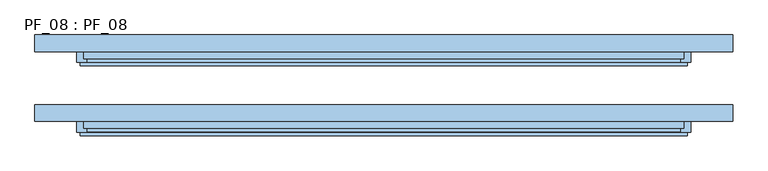
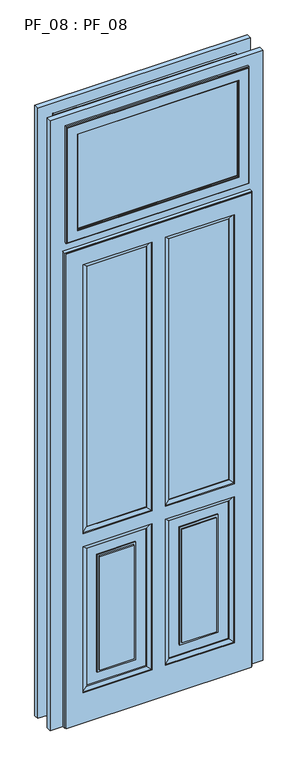
"""IFC4 building model written with IfcOpenShell, lengths in millimetres: window geometry, PF_08 : PF_08."""

import ifcopenshell
import ifcopenshell.guid

model = None  # the IFC model being written
_history = None  # IfcOwnerHistory: only IFC2X3 demands one
_inside = {}  # id of a spatial element -> (the spatial element, [elements in it])
_under = {}  # id of a project, library or spatial element -> (it, [spatial elements below it])
_declared = {}  # id of a project -> (the project, [libraries it declares])
_typed = {}  # id of a type object -> (the type object, [elements of that type])
_made_of = {}  # id of a material, layer set ... -> (it, [elements and type objects made of it])


def new_model(schema):
    """Start an empty IFC model of exactly this schema.

    Asked for "IFC4X3", IfcOpenShell would pick the latest addendum, in which some entities
    have other attributes; the version numbers below select the first issue.
    IFC2X3 requires an IfcOwnerHistory on every rooted entity: one is made here for all.
    """
    global model, _history
    if schema == "IFC4X3":
        model = ifcopenshell.file(schema_version=(4, 3, 0, 0))
    else:
        model = ifcopenshell.file(schema=schema)
    _inside.clear()
    _under.clear()
    _declared.clear()
    _typed.clear()
    _made_of.clear()
    _history = None
    if model.schema == "IFC2X3":
        org = make("IfcOrganization", Name="unknown")
        user = make(
            "IfcPersonAndOrganization",
            ThePerson=make("IfcPerson", FamilyName="unknown"),
            TheOrganization=org,
        )
        app = make(
            "IfcApplication",
            ApplicationDeveloper=org,
            Version="unknown",
            ApplicationFullName="unknown",
            ApplicationIdentifier="unknown",
        )
        _history = make(
            "IfcOwnerHistory",
            OwningUser=user,
            OwningApplication=app,
            ChangeAction="ADDED",
            CreationDate=0,
        )
    return model


def make(cls, **values):
    """One entity of the class cls with the attributes given. An attribute that is None is left unset."""
    return model.create_entity(
        cls, **{name: value for name, value in values.items() if value is not None}
    )


def rooted(cls, **values):
    """An entity with a GlobalId (a new one), such as an element, a storey or a relation."""
    return make(cls, GlobalId=ifcopenshell.guid.new(), OwnerHistory=_history, **values)


def si_unit(unit_type, name, prefix=None):
    """IfcSIUnit, for example si_unit("LENGTHUNIT", "METRE", prefix="MILLI")."""
    return make("IfcSIUnit", UnitType=unit_type, Prefix=prefix, Name=name)


def assignment(units):
    """IfcUnitAssignment: the units of a project."""
    return None if units is None else make("IfcUnitAssignment", Units=units)


def point(xyz):
    """IfcCartesianPoint."""
    return None if xyz is None else make("IfcCartesianPoint", Coordinates=xyz)


def direction(xyz):
    """IfcDirection."""
    return None if xyz is None else make("IfcDirection", DirectionRatios=xyz)


def frame(location, z_axis=None, x_axis=None):
    """IfcAxis2Placement3D, a coordinate frame: its origin and axes. An axis left out is left unset."""
    return make(
        "IfcAxis2Placement3D",
        Location=point(location),
        Axis=direction(z_axis),
        RefDirection=direction(x_axis),
    )


def origin():
    """The frame at (0, 0, 0) with its axes left unset."""
    return frame((0.0, 0.0, 0.0))


def place(relative_to, where):
    """IfcLocalPlacement: puts the frame where relative to a parent placement (None: the world)."""
    return make(
        "IfcLocalPlacement", PlacementRelTo=relative_to, RelativePlacement=where
    )


def context(
    kind, dimensions, precision=None, world=None, true_north=None, identifier=None
):
    """IfcGeometricRepresentationContext, for example the 3D "Model" context."""
    return make(
        "IfcGeometricRepresentationContext",
        ContextIdentifier=identifier,
        ContextType=kind,
        CoordinateSpaceDimension=dimensions,
        Precision=precision,
        WorldCoordinateSystem=world,
        TrueNorth=true_north,
    )


def project(units=None, contexts=None):
    """IfcProject with its units and contexts."""
    return rooted(
        "IfcProject",
        Name="project",
        RepresentationContexts=contexts,
        UnitsInContext=assignment(units),
    )


def spatial(cls, under=None, at=None, **own):
    """A site, building, storey or space (cls), placed at a placement, below another one or the project."""
    s = rooted(cls, ObjectPlacement=at, **own)
    if under is not None:
        _under.setdefault(under.id(), (under, []))[1].append(s)
    return s


def polyline(points):
    """IfcPolyline through the points."""
    return make("IfcPolyline", Points=[point(p) for p in points])


def outline(outer, holes=None, kind="AREA"):
    """IfcArbitraryClosedProfileDef: a profile drawn as a closed curve; with holes, ...WithVoids."""
    if holes is None:
        return make("IfcArbitraryClosedProfileDef", ProfileType=kind, OuterCurve=outer)
    return make(
        "IfcArbitraryProfileDefWithVoids",
        ProfileType=kind,
        OuterCurve=outer,
        InnerCurves=holes,
    )


def extrude(swept, where, along, depth):
    """IfcExtrudedAreaSolid: the profile swept, set in the frame where, extruded along a direction by depth."""
    return make(
        "IfcExtrudedAreaSolid",
        SweptArea=swept,
        Position=where,
        ExtrudedDirection=direction(along),
        Depth=depth,
    )


def faces_of(points, faces, orient=None, outer=None):
    """IfcFace entities. A face is a list of loops; a loop is a list of indices into points, from 0.

    orient and outer hold one flag for each loop. By default every Orientation is true, the
    first loop of a face is its IfcFaceOuterBound and the others are IfcFaceBound.
    """
    made = []
    for i, loops in enumerate(faces):
        bounds = []
        for j, loop in enumerate(loops):
            is_outer = j == 0 if outer is None else outer[i][j]
            bounds.append(
                make(
                    "IfcFaceOuterBound" if is_outer else "IfcFaceBound",
                    Bound=make("IfcPolyLoop", Polygon=[points[k] for k in loop]),
                    Orientation=True if orient is None else orient[i][j],
                )
            )
        made.append(make("IfcFace", Bounds=bounds))
    return made


def faceted_brep(points, faces, orient=None, outer=None, voids=None):
    """IfcFacetedBrep: a solid bounded by flat faces; with voids (closed shells), ...WithVoids."""
    shared = [point(p) for p in points]
    hull = make("IfcClosedShell", CfsFaces=faces_of(shared, faces, orient, outer))
    if voids is None:
        return make("IfcFacetedBrep", Outer=hull)
    return make(
        "IfcFacetedBrepWithVoids",
        Outer=hull,
        Voids=[
            make(cls, CfsFaces=faces_of(shared, fs, o, b)) for cls, fs, o, b in voids
        ],
    )


def shape(context_of_items, identifier, shape_type, items):
    """IfcShapeRepresentation: the items that make up one representation, for example the "Body"."""
    return make(
        "IfcShapeRepresentation",
        ContextOfItems=context_of_items,
        RepresentationIdentifier=identifier,
        RepresentationType=shape_type,
        Items=items,
    )


def source(mapping_origin, context_of_items, identifier, shape_type, items):
    """IfcRepresentationMap: a shape defined once, which mapped items show again and again."""
    return make(
        "IfcRepresentationMap",
        MappingOrigin=mapping_origin,
        MappedRepresentation=shape(context_of_items, identifier, shape_type, items),
    )


def transform(
    local_origin,
    x_axis=None,
    y_axis=None,
    z_axis=None,
    scale=None,
    scale2=None,
    scale3=None,
    uniform=True,
):
    """IfcCartesianTransformationOperator3D, or its non-uniform kind. x_axis, y_axis, z_axis: its Axis1, 2, 3."""
    if uniform:
        return make(
            "IfcCartesianTransformationOperator3D",
            Axis1=direction(x_axis),
            Axis2=direction(y_axis),
            LocalOrigin=point(local_origin),
            Scale=scale,
            Axis3=direction(z_axis),
        )
    return make(
        "IfcCartesianTransformationOperator3DnonUniform",
        Axis1=direction(x_axis),
        Axis2=direction(y_axis),
        LocalOrigin=point(local_origin),
        Scale=scale,
        Axis3=direction(z_axis),
        Scale2=scale2,
        Scale3=scale3,
    )


def mapped(mapping_source, mapping_target):
    """IfcMappedItem: shows the shape of a source again, moved by a transform."""
    return make(
        "IfcMappedItem", MappingSource=mapping_source, MappingTarget=mapping_target
    )


def made_of(thing, what):
    """Note that an element or type object is made of a material, layer set ...; save() writes the relation."""
    if what is not None:
        _made_of.setdefault(what.id(), (what, []))[1].append(thing)
    return thing


def element(
    cls,
    number,
    at=None,
    inside=None,
    cuts=None,
    type_object=None,
    material=None,
    context=None,
    identifier="Body",
    shape_type=None,
    held_by="IfcProductDefinitionShape",
    body=None,
    shapes=None,
    **own,
):
    """One element of the class cls, such as IfcWall. Its Tag is "e" and its number.

    at: its placement. inside: the storey or other place that contains it. cuts: it is an
    opening in that element (IfcRelVoidsElement). A single representation is given by context,
    identifier, shape_type and body (its items); several are given by shapes. held_by: the class
    of the entity that holds the representations. save() writes the other relations.
    """
    e = rooted(cls, Tag="e%d" % number, ObjectPlacement=at, **own)
    if body is not None:
        shapes = [shape(context, identifier, shape_type, body)]
    if shapes is not None:
        e.Representation = make(held_by, Representations=shapes)
    if inside is not None:
        _inside.setdefault(inside.id(), (inside, []))[1].append(e)
    if cuts is not None:
        rooted(
            "IfcRelVoidsElement", RelatingBuildingElement=cuts, RelatedOpeningElement=e
        )
    if type_object is not None:
        _typed.setdefault(type_object.id(), (type_object, []))[1].append(e)
    return made_of(e, material)


def aggregate(whole, parts):
    """IfcRelAggregates: a whole, such as a stair, and the parts it consists of."""
    return rooted("IfcRelAggregates", RelatingObject=whole, RelatedObjects=parts)


def save(model, path):
    """Write the relations noted so far, then the file.

    IfcRelAggregates (storeys below a building ...), IfcRelContainedInSpatialStructure (elements
    in a storey), IfcRelDefinesByType, IfcRelAssociatesMaterial and IfcRelDeclares: one each for
    every whole, place, type object, material and project.
    """
    for whole, parts in _under.values():
        aggregate(whole, parts)
    for where, things in _inside.values():
        rooted(
            "IfcRelContainedInSpatialStructure",
            RelatedElements=things,
            RelatingStructure=where,
        )
    for kind, things in _typed.values():
        rooted("IfcRelDefinesByType", RelatedObjects=things, RelatingType=kind)
    for what, things in _made_of.values():
        rooted("IfcRelAssociatesMaterial", RelatedObjects=things, RelatingMaterial=what)
    for by, libraries in _declared.values():
        rooted("IfcRelDeclares", RelatingContext=by, RelatedDefinitions=libraries)
    model.write(path)


def pf_08_pf_08_1fae24f3(model_context):
    return source(origin(), model_context, "Body", "SolidModel", [
        extrude(outline(polyline([(375.0, -57.0), (-375.0, -57.0), (-375.0, -53.0), (375.0, -53.0), (375.0, -57.0)])), frame((0.0, 0.0, 2455.0), z_axis=(0.0, 0.0, 1.0), x_axis=(1.0, 0.0, 0.0)), (0.0, 0.0, 1.0), 470.0),
        faceted_brep([(380.0, -50.0, 2930.0), (380.0, -45.0, 2930.0), (380.0, -45.0, 2450.0), (380.0, -50.0, 2450.0), (375.0, -60.0, 2925.0), (375.0, -50.0, 2925.0), (375.0, -50.0, 2455.0), (375.0, -60.0, 2455.0), (380.0, -65.0, 2930.0), (380.0, -60.0, 2930.0), (380.0, -60.0, 2450.0), (380.0, -65.0, 2450.0), (430.0, -50.0, 2980.0), (430.0, -60.0, 2980.0), (430.0, -60.0, 2400.0), (430.0, -50.0, 2400.0), (410.0, -45.0, 2960.0), (410.0, -50.0, 2960.0), (410.0, -50.0, 2420.0), (410.0, -45.0, 2420.0), (-380.0, -45.0, 2450.0), (-380.0, -50.0, 2450.0), (-375.0, -50.0, 2455.0), (-375.0, -60.0, 2455.0), (-380.0, -60.0, 2450.0), (-380.0, -65.0, 2450.0), (-430.0, -60.0, 2400.0), (-430.0, -50.0, 2400.0), (-410.0, -50.0, 2420.0), (-410.0, -45.0, 2420.0), (-380.0, -45.0, 2930.0), (-380.0, -50.0, 2930.0), (-375.0, -50.0, 2925.0), (-375.0, -60.0, 2925.0), (-380.0, -60.0, 2930.0), (-380.0, -65.0, 2930.0), (-430.0, -60.0, 2980.0), (-430.0, -50.0, 2980.0), (-410.0, -50.0, 2960.0), (-410.0, -45.0, 2960.0), (425.0, -65.0, 2975.0), (-425.0, -65.0, 2975.0), (-425.0, -65.0, 2405.0), (425.0, -65.0, 2405.0), (425.0, -60.0, 2975.0), (425.0, -60.0, 2405.0), (-425.0, -60.0, 2405.0), (-425.0, -60.0, 2975.0)], [[[0, 1, 2, 3]], [[4, 5, 6, 7]], [[8, 9, 10, 11]], [[12, 13, 14, 15]], [[16, 17, 18, 19]], [[3, 2, 20, 21]], [[7, 6, 22, 23]], [[11, 10, 24, 25]], [[15, 14, 26, 27]], [[19, 18, 28, 29]], [[21, 20, 30, 31]], [[23, 22, 32, 33]], [[25, 24, 34, 35]], [[27, 26, 36, 37]], [[29, 28, 38, 39]], [[19, 29, 39, 16], [1, 30, 20, 2]], [[31, 30, 1, 0]], [[3, 21, 31, 0], [5, 32, 22, 6]], [[33, 32, 5, 4]], [[9, 34, 24, 10], [7, 23, 33, 4]], [[35, 34, 9, 8]], [[40, 41, 42, 43], [11, 25, 35, 8]], [[37, 36, 13, 12]], [[15, 27, 37, 12], [17, 38, 28, 18]], [[39, 38, 17, 16]], [[44, 40, 43, 45]], [[45, 43, 42, 46]], [[46, 42, 41, 47]], [[47, 41, 40, 44]], [[13, 36, 26, 14], [45, 46, 47, 44]]]),
        extrude(outline(polyline([(375.0, 43.0), (-375.0, 43.0), (-375.0, 47.0), (375.0, 47.0), (375.0, 43.0)])), frame((0.0, 0.0, 2455.0), z_axis=(0.0, 0.0, 1.0), x_axis=(1.0, 0.0, 0.0)), (0.0, 0.0, 1.0), 470.0),
        faceted_brep([(380.0, 50.0, 2930.0), (380.0, 55.0, 2930.0), (380.0, 55.0, 2450.0), (380.0, 50.0, 2450.0), (375.0, 40.0, 2925.0), (375.0, 50.0, 2925.0), (375.0, 50.0, 2455.0), (375.0, 40.0, 2455.0), (380.0, 35.0, 2930.0), (380.0, 40.0, 2930.0), (380.0, 40.0, 2450.0), (380.0, 35.0, 2450.0), (430.0, 50.0, 2980.0), (430.0, 40.0, 2980.0), (430.0, 40.0, 2400.0), (430.0, 50.0, 2400.0), (410.0, 55.0, 2960.0), (410.0, 50.0, 2960.0), (410.0, 50.0, 2420.0), (410.0, 55.0, 2420.0), (-380.0, 55.0, 2450.0), (-380.0, 50.0, 2450.0), (-375.0, 50.0, 2455.0), (-375.0, 40.0, 2455.0), (-380.0, 40.0, 2450.0), (-380.0, 35.0, 2450.0), (-430.0, 40.0, 2400.0), (-430.0, 50.0, 2400.0), (-410.0, 50.0, 2420.0), (-410.0, 55.0, 2420.0), (-380.0, 55.0, 2930.0), (-380.0, 50.0, 2930.0), (-375.0, 50.0, 2925.0), (-375.0, 40.0, 2925.0), (-380.0, 40.0, 2930.0), (-380.0, 35.0, 2930.0), (-430.0, 40.0, 2980.0), (-430.0, 50.0, 2980.0), (-410.0, 50.0, 2960.0), (-410.0, 55.0, 2960.0), (425.0, 35.0, 2975.0), (-425.0, 35.0, 2975.0), (-425.0, 35.0, 2405.0), (425.0, 35.0, 2405.0), (425.0, 40.0, 2975.0), (425.0, 40.0, 2405.0), (-425.0, 40.0, 2405.0), (-425.0, 40.0, 2975.0)], [[[0, 1, 2, 3]], [[4, 5, 6, 7]], [[8, 9, 10, 11]], [[12, 13, 14, 15]], [[16, 17, 18, 19]], [[3, 2, 20, 21]], [[7, 6, 22, 23]], [[11, 10, 24, 25]], [[15, 14, 26, 27]], [[19, 18, 28, 29]], [[21, 20, 30, 31]], [[23, 22, 32, 33]], [[25, 24, 34, 35]], [[27, 26, 36, 37]], [[29, 28, 38, 39]], [[19, 29, 39, 16], [1, 30, 20, 2]], [[31, 30, 1, 0]], [[3, 21, 31, 0], [5, 32, 22, 6]], [[33, 32, 5, 4]], [[9, 34, 24, 10], [7, 23, 33, 4]], [[35, 34, 9, 8]], [[40, 41, 42, 43], [11, 25, 35, 8]], [[37, 36, 13, 12]], [[15, 27, 37, 12], [17, 38, 28, 18]], [[39, 38, 17, 16]], [[44, 40, 43, 45]], [[45, 43, 42, 46]], [[46, 42, 41, 47]], [[47, 41, 40, 44]], [[13, 36, 26, 14], [45, 46, 47, 44]]]),
        extrude(outline(polyline([(335.0, -57.0), (52.5, -57.0), (52.5, -53.0), (335.0, -53.0), (335.0, -57.0)])), frame((0.0, 0.0, 960.0), z_axis=(0.0, 0.0, 1.0), x_axis=(1.0, 0.0, 0.0)), (0.0, 0.0, 1.0), 1295.0),
        extrude(outline(polyline([(-52.5, -57.0), (-335.0, -57.0), (-335.0, -53.0), (-52.5, -53.0), (-52.5, -57.0)])), frame((0.0, 0.0, 960.0), z_axis=(0.0, 0.0, 1.0), x_axis=(1.0, 0.0, 0.0)), (0.0, 0.0, 1.0), 1295.0),
        extrude(outline(polyline([(335.0, 43.0), (52.5, 43.0), (52.5, 47.0), (335.0, 47.0), (335.0, 43.0)])), frame((0.0, 0.0, 960.0), z_axis=(0.0, 0.0, 1.0), x_axis=(1.0, 0.0, 0.0)), (0.0, 0.0, 1.0), 1295.0),
        extrude(outline(polyline([(-52.5, 43.0), (-335.0, 43.0), (-335.0, 47.0), (-52.5, 47.0), (-52.5, 43.0)])), frame((0.0, 0.0, 960.0), z_axis=(0.0, 0.0, 1.0), x_axis=(1.0, 0.0, 0.0)), (0.0, 0.0, 1.0), 1295.0),
        faceted_brep([(430.0, -30.0, 0.0), (430.0, -50.0, 0.0), (440.0, -50.0, 0.0), (440.0, -65.0, 0.0), (435.0, -65.0, 0.0), (435.0, -70.0, 0.0), (-435.0, -70.0, 0.0), (-435.0, -65.0, 0.0), (-440.0, -65.0, 0.0), (-440.0, -50.0, 0.0), (-430.0, -50.0, 0.0), (-430.0, -30.0, 0.0), (430.0, -30.0, 2350.0), (430.0, -50.0, 2350.0), (-430.0, -50.0, 2350.0), (-440.0, -50.0, 2360.0), (440.0, -50.0, 2360.0), (440.0, -65.0, 2360.0), (-440.0, -65.0, 2360.0), (-435.0, -65.0, 2355.0), (435.0, -65.0, 2355.0), (435.0, -70.0, 2355.0), (-435.0, -70.0, 2355.0), (-355.0, -70.0, 875.0), (-32.5, -70.0, 875.0), (-32.5, -70.0, 150.0), (-355.0, -70.0, 150.0), (32.5, -70.0, 875.0), (355.0, -70.0, 875.0), (355.0, -70.0, 150.0), (32.5, -70.0, 150.0), (32.5, -70.0, 2275.0), (355.0, -70.0, 2275.0), (355.0, -70.0, 940.0), (32.5, -70.0, 940.0), (-355.0, -70.0, 2275.0), (-32.5, -70.0, 2275.0), (-32.5, -70.0, 940.0), (-355.0, -70.0, 940.0), (-430.0, -30.0, 2350.0), (355.0, -30.0, 875.0), (32.5, -30.0, 875.0), (32.5, -30.0, 150.0), (355.0, -30.0, 150.0), (-32.5, -30.0, 875.0), (-355.0, -30.0, 875.0), (-355.0, -30.0, 150.0), (-32.5, -30.0, 150.0), (355.0, -30.0, 2275.0), (32.5, -30.0, 2275.0), (32.5, -30.0, 940.0), (355.0, -30.0, 940.0), (-32.5, -30.0, 2275.0), (-355.0, -30.0, 2275.0), (-355.0, -30.0, 940.0), (-32.5, -30.0, 940.0), (52.5, -60.0, 855.0), (52.5, -60.0, 170.0), (52.5, -55.0, 170.0), (52.5, -55.0, 855.0), (52.5, -40.0, 170.0), (52.5, -40.0, 855.0), (52.5, -45.0, 855.0), (52.5, -45.0, 170.0), (52.5, -40.0, 2255.0), (52.5, -60.0, 2255.0), (52.5, -60.0, 960.0), (52.5, -40.0, 960.0), (32.5, -65.0, 875.0), (32.5, -65.0, 150.0), (32.5, -65.0, 2275.0), (32.5, -65.0, 940.0), (335.0, -60.0, 960.0), (335.0, -40.0, 960.0), (-335.0, -60.0, 960.0), (-52.5, -60.0, 960.0), (-52.5, -40.0, 960.0), (-335.0, -40.0, 960.0), (32.5, -35.0, 875.0), (32.5, -35.0, 150.0), (32.5, -35.0, 2275.0), (32.5, -35.0, 940.0), (335.0, -60.0, 170.0), (335.0, -55.0, 170.0), (335.0, -40.0, 170.0), (335.0, -45.0, 170.0), (-335.0, -60.0, 170.0), (-52.5, -60.0, 170.0), (-52.5, -55.0, 170.0), (-335.0, -55.0, 170.0), (-52.5, -40.0, 170.0), (-335.0, -40.0, 170.0), (-335.0, -45.0, 170.0), (-52.5, -45.0, 170.0), (335.0, -55.0, 855.0), (102.5, -55.0, 805.0), (285.0, -55.0, 805.0), (285.0, -55.0, 220.0), (102.5, -55.0, 220.0), (-52.5, -55.0, 855.0), (-335.0, -55.0, 855.0), (-285.0, -55.0, 805.0), (-102.5, -55.0, 805.0), (-102.5, -55.0, 220.0), (-285.0, -55.0, 220.0), (335.0, -60.0, 855.0), (335.0, -40.0, 855.0), (335.0, -45.0, 855.0), (-52.5, -60.0, 855.0), (-335.0, -60.0, 855.0), (-335.0, -40.0, 855.0), (-52.5, -40.0, 855.0), (-52.5, -45.0, 855.0), (-335.0, -45.0, 855.0), (285.0, -45.0, 805.0), (102.5, -45.0, 805.0), (102.5, -45.0, 220.0), (285.0, -45.0, 220.0), (-102.5, -45.0, 805.0), (-285.0, -45.0, 805.0), (-285.0, -45.0, 220.0), (-102.5, -45.0, 220.0), (-52.5, -60.0, 2255.0), (-52.5, -40.0, 2255.0), (-32.5, -35.0, 875.0), (-32.5, -35.0, 150.0), (-32.5, -35.0, 2275.0), (-32.5, -35.0, 940.0), (-32.5, -65.0, 875.0), (-32.5, -65.0, 150.0), (-32.5, -65.0, 2275.0), (-32.5, -65.0, 940.0), (355.0, -65.0, 875.0), (355.0, -65.0, 150.0), (355.0, -65.0, 2275.0), (355.0, -65.0, 940.0), (-355.0, -65.0, 940.0), (-355.0, -65.0, 875.0), (-355.0, -65.0, 150.0), (-355.0, -65.0, 2275.0), (355.0, -35.0, 940.0), (-355.0, -35.0, 940.0), (355.0, -35.0, 875.0), (-355.0, -35.0, 875.0), (355.0, -35.0, 150.0), (-355.0, -35.0, 150.0), (355.0, -35.0, 2275.0), (-355.0, -35.0, 2275.0), (335.0, -60.0, 2255.0), (335.0, -40.0, 2255.0), (-335.0, -60.0, 2255.0), (-335.0, -40.0, 2255.0), (-285.0, -60.0, 805.0), (-102.5, -60.0, 805.0), (-102.5, -40.0, 805.0), (-285.0, -40.0, 805.0), (-102.5, -60.0, 220.0), (-102.5, -40.0, 220.0), (-285.0, -60.0, 220.0), (-285.0, -40.0, 220.0), (102.5, -60.0, 805.0), (285.0, -60.0, 805.0), (285.0, -40.0, 805.0), (102.5, -40.0, 805.0), (285.0, -60.0, 220.0), (285.0, -40.0, 220.0), (102.5, -60.0, 220.0), (102.5, -40.0, 220.0), (-275.0, -60.0, 230.0), (-275.0, -60.0, 795.0), (-112.5, -60.0, 795.0), (-112.5, -60.0, 230.0), (112.5, -60.0, 230.0), (112.5, -60.0, 795.0), (275.0, -60.0, 795.0), (275.0, -60.0, 230.0), (112.5, -65.0, 230.0), (112.5, -65.0, 795.0), (112.5, -35.0, 795.0), (112.5, -35.0, 230.0), (112.5, -40.0, 230.0), (112.5, -40.0, 795.0), (275.0, -65.0, 795.0), (275.0, -35.0, 795.0), (275.0, -40.0, 795.0), (275.0, -65.0, 230.0), (275.0, -35.0, 230.0), (275.0, -40.0, 230.0), (-275.0, -65.0, 230.0), (-275.0, -65.0, 795.0), (-275.0, -35.0, 795.0), (-275.0, -35.0, 230.0), (-275.0, -40.0, 230.0), (-275.0, -40.0, 795.0), (-112.5, -65.0, 795.0), (-112.5, -35.0, 795.0), (-112.5, -40.0, 795.0), (-112.5, -65.0, 230.0), (-112.5, -35.0, 230.0), (-112.5, -40.0, 230.0)], [[[0, 1, 2, 3, 4, 5, 6, 7, 8, 9, 10, 11]], [[1, 0, 12, 13]], [[2, 1, 13, 14, 10, 9, 15, 16]], [[3, 2, 16, 17]], [[4, 3, 17, 18, 8, 7, 19, 20]], [[5, 4, 20, 21]], [[22, 6, 5, 21], [23, 24, 25, 26], [27, 28, 29, 30], [31, 32, 33, 34], [35, 36, 37, 38]], [[22, 19, 7, 6]], [[18, 15, 9, 8]], [[10, 14, 39, 11]], [[11, 39, 12, 0], [40, 41, 42, 43], [44, 45, 46, 47], [48, 49, 50, 51], [52, 53, 54, 55]], [[56, 57, 58, 59]], [[60, 61, 62, 63]], [[64, 65, 66, 67]], [[56, 68, 69, 57]], [[65, 70, 71, 66]], [[66, 72, 73, 67]], [[74, 75, 76, 77]], [[78, 61, 60, 79]], [[80, 64, 67, 81]], [[57, 82, 83, 58]], [[84, 60, 63, 85]], [[86, 87, 88, 89]], [[90, 91, 92, 93]], [[59, 58, 83, 94], [95, 96, 97, 98]], [[88, 99, 100, 89], [101, 102, 103, 104]], [[105, 56, 59, 94]], [[61, 106, 107, 62]], [[108, 109, 100, 99]], [[110, 111, 112, 113]], [[63, 62, 107, 85], [114, 115, 116, 117]], [[112, 93, 92, 113], [118, 119, 120, 121]], [[111, 90, 93, 112]], [[87, 108, 99, 88]], [[122, 123, 76, 75]], [[111, 124, 125, 90]], [[123, 126, 127, 76]], [[128, 108, 87, 129]], [[130, 122, 75, 131]], [[28, 132, 133, 29]], [[32, 134, 135, 33]], [[34, 33, 135, 71]], [[38, 37, 131, 136]], [[68, 27, 30, 69]], [[70, 31, 34, 71]], [[24, 128, 129, 25]], [[36, 130, 131, 37]], [[137, 23, 26, 138]], [[139, 35, 38, 136]], [[24, 23, 137, 128]], [[28, 27, 68, 132]], [[26, 25, 129, 138]], [[30, 29, 133, 69]], [[136, 131, 75, 74]], [[71, 135, 72, 66]], [[128, 137, 109, 108]], [[132, 68, 56, 105]], [[138, 129, 87, 86]], [[69, 133, 82, 57]], [[140, 81, 67, 73]], [[127, 141, 77, 76]], [[41, 78, 79, 42]], [[49, 80, 81, 50]], [[78, 142, 106, 61]], [[143, 124, 111, 110]], [[144, 79, 60, 84]], [[125, 145, 91, 90]], [[55, 54, 141, 127]], [[81, 140, 51, 50]], [[45, 44, 124, 143]], [[142, 78, 41, 40]], [[47, 46, 145, 125]], [[79, 144, 43, 42]], [[142, 40, 43, 144]], [[146, 48, 51, 140]], [[45, 143, 145, 46]], [[53, 147, 141, 54]], [[124, 44, 47, 125]], [[126, 52, 55, 127]], [[132, 105, 82, 133]], [[134, 148, 72, 135]], [[82, 105, 94, 83]], [[106, 84, 85, 107]], [[148, 149, 73, 72]], [[109, 137, 138, 86]], [[150, 139, 136, 74]], [[109, 86, 89, 100]], [[91, 110, 113, 92]], [[151, 150, 74, 77]], [[106, 142, 144, 84]], [[149, 146, 140, 73]], [[143, 110, 91, 145]], [[147, 151, 77, 141]], [[152, 153, 102, 101]], [[154, 155, 119, 118]], [[153, 156, 103, 102]], [[157, 154, 118, 121]], [[156, 158, 104, 103]], [[159, 157, 121, 120]], [[158, 152, 101, 104]], [[155, 159, 120, 119]], [[160, 161, 96, 95]], [[162, 163, 115, 114]], [[161, 164, 97, 96]], [[165, 162, 114, 117]], [[164, 166, 98, 97]], [[167, 165, 117, 116]], [[166, 160, 95, 98]], [[163, 167, 116, 115]], [[153, 152, 158, 156], [168, 169, 170, 171]], [[161, 160, 166, 164], [172, 173, 174, 175]], [[176, 177, 173, 172]], [[178, 179, 180, 181]], [[177, 182, 174, 173]], [[183, 178, 181, 184]], [[182, 185, 175, 174]], [[186, 183, 184, 187]], [[185, 176, 172, 175]], [[179, 186, 187, 180]], [[188, 189, 169, 168]], [[190, 191, 192, 193]], [[189, 194, 170, 169]], [[195, 190, 193, 196]], [[194, 197, 171, 170]], [[198, 195, 196, 199]], [[197, 188, 168, 171]], [[191, 198, 199, 192]], [[154, 157, 159, 155], [193, 192, 199, 196]], [[162, 165, 167, 163], [181, 180, 187, 184]], [[177, 176, 185, 182]], [[189, 188, 197, 194]], [[178, 183, 186, 179]], [[190, 195, 198, 191]], [[19, 22, 21, 20]], [[14, 13, 12, 39]], [[15, 18, 17, 16]], [[134, 32, 31, 70]], [[35, 139, 130, 36]], [[148, 134, 70, 65]], [[139, 150, 122, 130]], [[149, 148, 65, 64]], [[150, 151, 123, 122]], [[146, 149, 64, 80]], [[151, 147, 126, 123]], [[48, 146, 80, 49]], [[147, 53, 52, 126]]]),
        faceted_brep([(-420.0, -26.0, 0.0), (-420.0, -45.0, 0.0), (-430.0, -45.0, 0.0), (-430.0, -50.0, 0.0), (-500.0, -50.0, 0.0), (-500.0, -26.0, 0.0), (-420.0, -26.0, 2340.0), (-420.0, -45.0, 2340.0), (-420.0, -26.0, 2960.0), (-420.0, -45.0, 2960.0), (-420.0, -45.0, 2420.0), (-420.0, -26.0, 2420.0), (420.0, -45.0, 2340.0), (420.0, -45.0, 0.0), (430.0, -45.0, 0.0), (430.0, -45.0, 2350.0), (-430.0, -45.0, 2350.0), (-430.0, -45.0, 2970.0), (-430.0, -45.0, 2410.0), (430.0, -45.0, 2410.0), (430.0, -45.0, 2970.0), (420.0, -45.0, 2960.0), (420.0, -45.0, 2420.0), (-430.0, -50.0, 2350.0), (-430.0, -50.0, 2970.0), (-430.0, -50.0, 2410.0), (430.0, -50.0, 2350.0), (430.0, -50.0, 0.0), (500.0, -50.0, 0.0), (500.0, -50.0, 3030.0), (-500.0, -50.0, 3030.0), (430.0, -50.0, 2970.0), (430.0, -50.0, 2410.0), (-500.0, -26.0, 3030.0), (500.0, -26.0, 3030.0), (500.0, -26.0, 0.0), (420.0, -26.0, 0.0), (420.0, -26.0, 2340.0), (420.0, -26.0, 2420.0), (420.0, -26.0, 2960.0)], [[[0, 1, 2, 3, 4, 5]], [[1, 0, 6, 7]], [[8, 9, 10, 11]], [[2, 1, 7, 12, 13, 14, 15, 16]], [[17, 18, 19, 20], [10, 9, 21, 22]], [[3, 2, 16, 23]], [[17, 24, 25, 18]], [[4, 3, 23, 26, 27, 28, 29, 30], [24, 31, 32, 25]], [[30, 33, 5, 4]], [[0, 5, 33, 34, 35, 36, 37, 6], [11, 38, 39, 8]], [[34, 29, 28, 35]], [[36, 35, 28, 27, 14, 13]], [[36, 13, 12, 37]], [[39, 38, 22, 21]], [[15, 14, 27, 26]], [[20, 19, 32, 31]], [[33, 30, 29, 34]], [[7, 6, 37, 12]], [[11, 10, 22, 38]], [[9, 8, 39, 21]], [[26, 23, 16, 15]], [[31, 24, 17, 20]], [[25, 32, 19, 18]]]),
        faceted_brep([(335.0, 40.0, 960.0), (335.0, 60.0, 960.0), (52.5, 60.0, 960.0), (52.5, 40.0, 960.0), (-335.0, 60.0, 960.0), (-335.0, 40.0, 960.0), (-52.5, 40.0, 960.0), (-52.5, 60.0, 960.0), (335.0, 40.0, 170.0), (335.0, 40.0, 855.0), (335.0, 45.0, 855.0), (335.0, 45.0, 170.0), (335.0, 60.0, 855.0), (335.0, 60.0, 170.0), (335.0, 55.0, 170.0), (335.0, 55.0, 855.0), (335.0, 40.0, 2255.0), (335.0, 60.0, 2255.0), (355.0, 65.0, 940.0), (32.5, 65.0, 940.0), (-355.0, 65.0, 940.0), (-32.5, 65.0, 940.0), (52.5, 40.0, 2255.0), (52.5, 60.0, 2255.0), (52.5, 40.0, 855.0), (52.5, 40.0, 170.0), (52.5, 45.0, 170.0), (52.5, 45.0, 855.0), (52.5, 60.0, 170.0), (52.5, 60.0, 855.0), (52.5, 55.0, 855.0), (52.5, 55.0, 170.0), (355.0, 35.0, 940.0), (32.5, 35.0, 940.0), (-355.0, 35.0, 940.0), (-32.5, 35.0, 940.0), (-335.0, 40.0, 855.0), (-335.0, 40.0, 170.0), (-335.0, 45.0, 170.0), (-335.0, 45.0, 855.0), (-335.0, 60.0, 170.0), (-335.0, 60.0, 855.0), (-335.0, 55.0, 855.0), (-335.0, 55.0, 170.0), (-335.0, 60.0, 2255.0), (-335.0, 40.0, 2255.0), (-52.5, 40.0, 2255.0), (-52.5, 60.0, 2255.0), (-52.5, 60.0, 855.0), (-52.5, 60.0, 170.0), (-52.5, 55.0, 170.0), (-52.5, 55.0, 855.0), (-52.5, 40.0, 170.0), (-52.5, 40.0, 855.0), (-52.5, 45.0, 855.0), (-52.5, 45.0, 170.0), (355.0, 65.0, 875.0), (32.5, 65.0, 875.0), (-355.0, 65.0, 875.0), (-32.5, 65.0, 875.0), (285.0, 55.0, 805.0), (102.5, 55.0, 805.0), (102.5, 55.0, 220.0), (285.0, 55.0, 220.0), (-102.5, 55.0, 805.0), (-285.0, 55.0, 805.0), (-285.0, 55.0, 220.0), (-102.5, 55.0, 220.0), (355.0, 35.0, 875.0), (32.5, 35.0, 875.0), (-355.0, 35.0, 875.0), (-32.5, 35.0, 875.0), (102.5, 45.0, 805.0), (285.0, 45.0, 805.0), (285.0, 45.0, 220.0), (102.5, 45.0, 220.0), (-285.0, 45.0, 805.0), (-102.5, 45.0, 805.0), (-102.5, 45.0, 220.0), (-285.0, 45.0, 220.0), (355.0, 35.0, 150.0), (355.0, 35.0, 2275.0), (355.0, 30.0, 875.0), (32.5, 30.0, 875.0), (-355.0, 30.0, 875.0), (-32.5, 30.0, 875.0), (32.5, 35.0, 150.0), (32.5, 35.0, 2275.0), (-355.0, 35.0, 150.0), (-355.0, 35.0, 2275.0), (-32.5, 35.0, 150.0), (-32.5, 35.0, 2275.0), (355.0, 30.0, 150.0), (355.0, 30.0, 2275.0), (355.0, 30.0, 940.0), (-435.0, 30.0, 2355.0), (-435.0, 30.0, 0.0), (435.0, 30.0, 0.0), (435.0, 30.0, 2355.0), (32.5, 30.0, 150.0), (-32.5, 30.0, 150.0), (-355.0, 30.0, 150.0), (32.5, 30.0, 940.0), (32.5, 30.0, 2275.0), (-355.0, 30.0, 940.0), (-355.0, 30.0, 2275.0), (-32.5, 30.0, 2275.0), (-32.5, 30.0, 940.0), (-435.0, 35.0, 2355.0), (-435.0, 35.0, 0.0), (430.0, 70.0, 0.0), (430.0, 50.0, 0.0), (440.0, 50.0, 0.0), (440.0, 35.0, 0.0), (435.0, 35.0, 0.0), (-440.0, 35.0, 0.0), (-440.0, 50.0, 0.0), (-430.0, 50.0, 0.0), (-430.0, 70.0, 0.0), (435.0, 35.0, 2355.0), (355.0, 65.0, 150.0), (355.0, 65.0, 2275.0), (355.0, 70.0, 940.0), (32.5, 70.0, 940.0), (-355.0, 70.0, 940.0), (-32.5, 70.0, 940.0), (32.5, 65.0, 150.0), (32.5, 65.0, 2275.0), (-355.0, 65.0, 150.0), (-355.0, 65.0, 2275.0), (-32.5, 65.0, 150.0), (-32.5, 65.0, 2275.0), (355.0, 70.0, 875.0), (355.0, 70.0, 150.0), (355.0, 70.0, 2275.0), (-430.0, 70.0, 2350.0), (430.0, 70.0, 2350.0), (32.5, 70.0, 2275.0), (-355.0, 70.0, 2275.0), (-32.5, 70.0, 2275.0), (32.5, 70.0, 875.0), (32.5, 70.0, 150.0), (-32.5, 70.0, 875.0), (-355.0, 70.0, 875.0), (-355.0, 70.0, 150.0), (-32.5, 70.0, 150.0), (-430.0, 50.0, 2350.0), (430.0, 50.0, 2350.0), (-440.0, 50.0, 2360.0), (440.0, 50.0, 2360.0), (440.0, 35.0, 2360.0), (-440.0, 35.0, 2360.0), (-285.0, 40.0, 805.0), (-102.5, 40.0, 805.0), (-102.5, 60.0, 805.0), (-285.0, 60.0, 805.0), (-102.5, 40.0, 220.0), (-102.5, 60.0, 220.0), (-285.0, 40.0, 220.0), (-285.0, 60.0, 220.0), (102.5, 40.0, 805.0), (285.0, 40.0, 805.0), (285.0, 60.0, 805.0), (102.5, 60.0, 805.0), (285.0, 40.0, 220.0), (285.0, 60.0, 220.0), (102.5, 40.0, 220.0), (102.5, 60.0, 220.0), (-275.0, 40.0, 230.0), (-275.0, 40.0, 795.0), (-112.5, 40.0, 795.0), (-112.5, 40.0, 230.0), (112.5, 40.0, 230.0), (112.5, 40.0, 795.0), (275.0, 40.0, 795.0), (275.0, 40.0, 230.0), (112.5, 35.0, 230.0), (112.5, 35.0, 795.0), (112.5, 65.0, 795.0), (112.5, 65.0, 230.0), (112.5, 60.0, 230.0), (112.5, 60.0, 795.0), (275.0, 35.0, 795.0), (275.0, 65.0, 795.0), (275.0, 60.0, 795.0), (275.0, 35.0, 230.0), (275.0, 65.0, 230.0), (275.0, 60.0, 230.0), (-275.0, 35.0, 230.0), (-275.0, 35.0, 795.0), (-275.0, 65.0, 795.0), (-275.0, 65.0, 230.0), (-275.0, 60.0, 230.0), (-275.0, 60.0, 795.0), (-112.5, 35.0, 795.0), (-112.5, 65.0, 795.0), (-112.5, 60.0, 795.0), (-112.5, 35.0, 230.0), (-112.5, 65.0, 230.0), (-112.5, 60.0, 230.0)], [[[0, 1, 2, 3]], [[4, 5, 6, 7]], [[8, 9, 10, 11]], [[12, 13, 14, 15]], [[16, 17, 1, 0]], [[1, 18, 19, 2]], [[20, 4, 7, 21]], [[22, 3, 2, 23]], [[24, 25, 26, 27]], [[28, 29, 30, 31]], [[32, 0, 3, 33]], [[5, 34, 35, 6]], [[36, 37, 38, 39]], [[40, 41, 42, 43]], [[44, 45, 5, 4]], [[6, 46, 47, 7]], [[48, 49, 50, 51]], [[52, 53, 54, 55]], [[29, 12, 15, 30]], [[41, 48, 51, 42]], [[9, 24, 27, 10]], [[53, 36, 39, 54]], [[56, 12, 29, 57]], [[41, 58, 59, 48]], [[30, 15, 14, 31], [60, 61, 62, 63]], [[42, 51, 50, 43], [64, 65, 66, 67]], [[9, 68, 69, 24]], [[70, 36, 53, 71]], [[10, 27, 26, 11], [72, 73, 74, 75]], [[54, 39, 38, 55], [76, 77, 78, 79]], [[68, 9, 8, 80]], [[81, 16, 0, 32]], [[68, 82, 83, 69]], [[84, 70, 71, 85]], [[24, 69, 86, 25]], [[87, 33, 3, 22]], [[36, 70, 88, 37]], [[45, 89, 34, 5]], [[71, 53, 52, 90]], [[35, 91, 46, 6]], [[82, 68, 80, 92]], [[93, 81, 32, 94]], [[95, 96, 97, 98], [83, 82, 92, 99], [84, 85, 100, 101], [93, 94, 102, 103], [104, 105, 106, 107]], [[69, 83, 99, 86]], [[103, 102, 33, 87]], [[70, 84, 101, 88]], [[89, 105, 104, 34]], [[85, 71, 90, 100]], [[107, 106, 91, 35]], [[95, 108, 109, 96]], [[110, 111, 112, 113, 114, 97, 96, 109, 115, 116, 117, 118]], [[97, 114, 119, 98]], [[94, 32, 33, 102]], [[34, 104, 107, 35]], [[99, 92, 80, 86]], [[101, 100, 90, 88]], [[12, 56, 120, 13]], [[17, 121, 18, 1]], [[18, 122, 123, 19]], [[124, 20, 21, 125]], [[57, 29, 28, 126]], [[19, 127, 23, 2]], [[58, 41, 40, 128]], [[129, 44, 4, 20]], [[48, 59, 130, 49]], [[131, 21, 7, 47]], [[56, 132, 133, 120]], [[121, 134, 122, 18]], [[118, 135, 136, 110], [122, 134, 137, 123], [138, 124, 125, 139], [132, 140, 141, 133], [142, 143, 144, 145]], [[127, 19, 123, 137]], [[140, 57, 126, 141]], [[143, 58, 128, 144]], [[138, 129, 20, 124]], [[21, 131, 139, 125]], [[59, 142, 145, 130]], [[117, 146, 135, 118]], [[111, 110, 136, 147]], [[132, 56, 57, 140]], [[58, 143, 142, 59]], [[133, 141, 126, 120]], [[145, 144, 128, 130]], [[112, 111, 147, 146, 117, 116, 148, 149]], [[113, 112, 149, 150]], [[114, 113, 150, 151, 115, 109, 108, 119]], [[151, 148, 116, 115]], [[8, 25, 86, 80]], [[52, 37, 88, 90]], [[25, 8, 11, 26]], [[37, 52, 55, 38]], [[49, 40, 43, 50]], [[13, 28, 31, 14]], [[40, 49, 130, 128]], [[28, 13, 120, 126]], [[152, 153, 77, 76]], [[154, 155, 65, 64]], [[153, 156, 78, 77]], [[157, 154, 64, 67]], [[156, 158, 79, 78]], [[159, 157, 67, 66]], [[158, 152, 76, 79]], [[155, 159, 66, 65]], [[160, 161, 73, 72]], [[162, 163, 61, 60]], [[161, 164, 74, 73]], [[165, 162, 60, 63]], [[164, 166, 75, 74]], [[167, 165, 63, 62]], [[166, 160, 72, 75]], [[163, 167, 62, 61]], [[153, 152, 158, 156], [168, 169, 170, 171]], [[161, 160, 166, 164], [172, 173, 174, 175]], [[176, 177, 173, 172]], [[178, 179, 180, 181]], [[177, 182, 174, 173]], [[183, 178, 181, 184]], [[182, 185, 175, 174]], [[186, 183, 184, 187]], [[185, 176, 172, 175]], [[179, 186, 187, 180]], [[188, 189, 169, 168]], [[190, 191, 192, 193]], [[189, 194, 170, 169]], [[195, 190, 193, 196]], [[194, 197, 171, 170]], [[198, 195, 196, 199]], [[197, 188, 168, 171]], [[191, 198, 199, 192]], [[154, 157, 159, 155], [193, 192, 199, 196]], [[162, 165, 167, 163], [181, 180, 187, 184]], [[177, 176, 185, 182]], [[189, 188, 197, 194]], [[178, 183, 186, 179]], [[190, 195, 198, 191]], [[108, 95, 98, 119]], [[146, 147, 136, 135]], [[148, 151, 150, 149]], [[81, 93, 103, 87]], [[105, 89, 91, 106]], [[16, 81, 87, 22]], [[89, 45, 46, 91]], [[17, 16, 22, 23]], [[45, 44, 47, 46]], [[121, 17, 23, 127]], [[44, 129, 131, 47]], [[134, 121, 127, 137]], [[129, 138, 139, 131]]]),
        faceted_brep([(-420.0, 74.0, 0.0), (-420.0, 55.0, 0.0), (-430.0, 55.0, 0.0), (-430.0, 50.0, 0.0), (-500.0, 50.0, 0.0), (-500.0, 74.0, 0.0), (-420.0, 74.0, 2340.0), (-420.0, 55.0, 2340.0), (-420.0, 74.0, 2960.0), (-420.0, 55.0, 2960.0), (-420.0, 55.0, 2420.0), (-420.0, 74.0, 2420.0), (420.0, 55.0, 2340.0), (420.0, 55.0, 0.0), (430.0, 55.0, 0.0), (430.0, 55.0, 2350.0), (-430.0, 55.0, 2350.0), (430.0, 55.0, 2970.0), (-430.0, 55.0, 2970.0), (-430.0, 55.0, 2410.0), (430.0, 55.0, 2410.0), (420.0, 55.0, 2960.0), (420.0, 55.0, 2420.0), (-430.0, 50.0, 2350.0), (-430.0, 50.0, 2970.0), (-430.0, 50.0, 2410.0), (430.0, 50.0, 2350.0), (430.0, 50.0, 0.0), (500.0, 50.0, 0.0), (500.0, 50.0, 3030.0), (-500.0, 50.0, 3030.0), (430.0, 50.0, 2970.0), (430.0, 50.0, 2410.0), (-500.0, 74.0, 3030.0), (500.0, 74.0, 3030.0), (500.0, 74.0, 0.0), (420.0, 74.0, 0.0), (420.0, 74.0, 2340.0), (420.0, 74.0, 2420.0), (420.0, 74.0, 2960.0)], [[[0, 1, 2, 3, 4, 5]], [[1, 0, 6, 7]], [[8, 9, 10, 11]], [[2, 1, 7, 12, 13, 14, 15, 16]], [[17, 18, 19, 20], [9, 21, 22, 10]], [[3, 2, 16, 23]], [[19, 18, 24, 25]], [[4, 3, 23, 26, 27, 28, 29, 30], [31, 32, 25, 24]], [[4, 30, 33, 5]], [[0, 5, 33, 34, 35, 36, 37, 6], [8, 11, 38, 39]], [[34, 29, 28, 35]], [[36, 35, 28, 27, 14, 13]], [[36, 13, 12, 37]], [[21, 39, 38, 22]], [[15, 14, 27, 26]], [[31, 17, 20, 32]], [[33, 30, 29, 34]], [[12, 7, 6, 37]], [[10, 22, 38, 11]], [[9, 8, 39, 21]], [[26, 23, 16, 15]], [[25, 32, 20, 19]], [[31, 24, 18, 17]]]),
    ])


if __name__ == "__main__":
    model = new_model("IFC4")
    model_context = context("Model", 3, world=origin())
    ifc_project = project(units=[si_unit("LENGTHUNIT", "METRE", prefix="MILLI")], contexts=[model_context])
    site = spatial("IfcSite", under=ifc_project)
    building = spatial("IfcBuilding", under=site)
    placement = place(None, origin())
    pf_08_pf_08_shape = pf_08_pf_08_1fae24f3(model_context)
    element("IfcWindow", 1, ObjectType="PF_08 : PF_08", at=placement, inside=building, context=model_context, shape_type="MappedRepresentation", body=[
        mapped(pf_08_pf_08_shape, transform((0.0, 0.0, 0.0), x_axis=(1.0, 0.0, 0.0), y_axis=(0.0, 1.0, 0.0), z_axis=(0.0, 0.0, 1.0))),
    ])
    save(model, "model.ifc")
